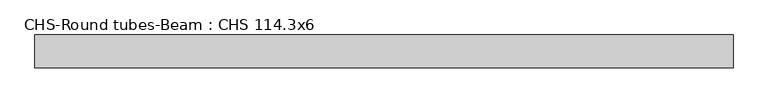
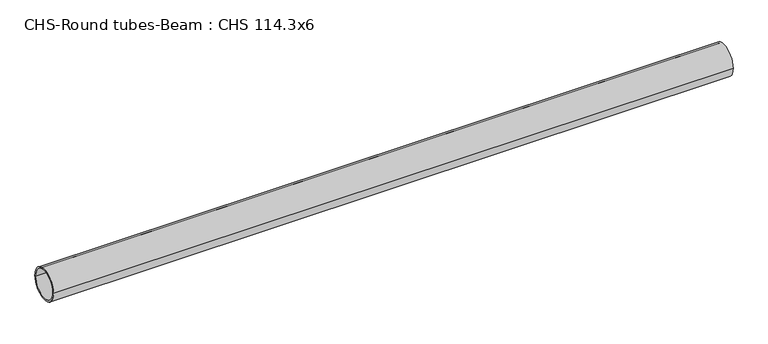
"""IFC4 building model written with IfcOpenShell, lengths in millimetres: beam geometry, CHS-Round tubes-Beam : CHS 114.3x6."""

from ifc_helpers import new_model, si_unit, point, frame, origin, origin_2d, place, context, project, spatial, circle_curve, trimmed, segment, composite_curve, outline, extrude, source, transform, mapped, element, save


def chs_round_tubes_beam_chs_114_3x6_7d8662b5(model_context):
    return source(origin(), model_context, "Body", "SweptSolid", [
        extrude(outline(composite_curve([segment(trimmed(circle_curve(origin_2d(), 57.15), [point((57.15, 0.0))], [point((-57.15, 0.0))], False, "CARTESIAN"), True, "CONTINUOUS"), segment(trimmed(circle_curve(origin_2d(), 57.15), [point((-57.15, 0.0))], [point((57.15, 0.0))], False, "CARTESIAN"), True, "CONTINUOUS")], self_intersect=False), holes=[composite_curve([segment(trimmed(circle_curve(origin_2d(), 51.15), [point((51.15, 0.0))], [point((-51.15, 0.0))], True, "CARTESIAN"), True, "CONTINUOUS"), segment(trimmed(circle_curve(origin_2d(), 51.15), [point((-51.15, 0.0))], [point((51.15, 0.0))], True, "CARTESIAN"), True, "CONTINUOUS")], self_intersect=False)]), frame((-1173.8559673, 0.0, 0.0), z_axis=(1.0, 0.0, 0.0), x_axis=(0.0, 1.0, 0.0)), (0.0, 0.0, 1.0), 2426.9722646),
    ])


if __name__ == "__main__":
    model = new_model("IFC4")
    model_context = context("Model", 3, world=origin())
    ifc_project = project(units=[si_unit("LENGTHUNIT", "METRE", prefix="MILLI")], contexts=[model_context])
    site = spatial("IfcSite", under=ifc_project)
    building = spatial("IfcBuilding", under=site)
    placement = place(None, origin())
    chs_round_tubes_beam_chs_114_3x6_shape = chs_round_tubes_beam_chs_114_3x6_7d8662b5(model_context)
    element("IfcBeam", 1, ObjectType="CHS-Round tubes-Beam : CHS 114.3x6", at=placement, inside=building, context=model_context, shape_type="MappedRepresentation", body=[
        mapped(chs_round_tubes_beam_chs_114_3x6_shape, transform((0.0, 0.0, 0.0), x_axis=(1.0, 0.0, 0.0), y_axis=(0.0, 1.0, 0.0), z_axis=(0.0, 0.0, 1.0))),
    ])
    save(model, "model.ifc")
